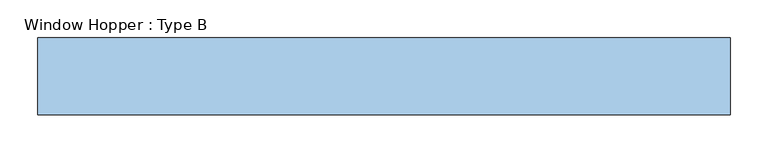
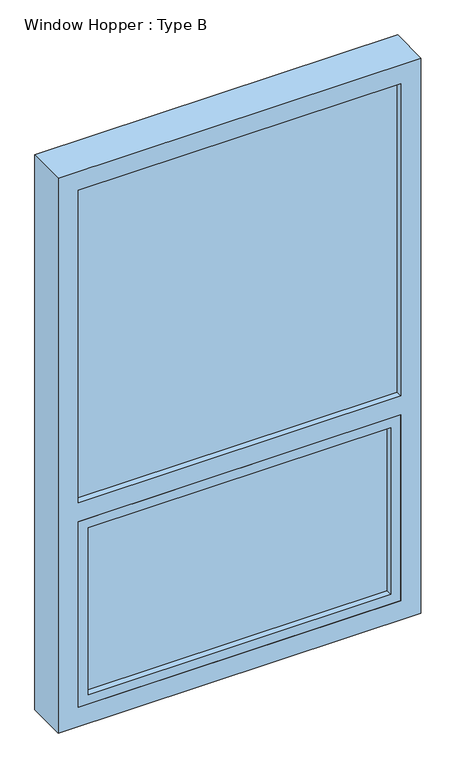
"""IFC4 building model written with IfcOpenShell, lengths in millimetres: window geometry, Window Hopper : Type B."""

from ifc_helpers import new_model, si_unit, frame, origin, place, context, project, spatial, polyline, outline, extrude, source, transform, mapped, element, save


def window_hopper_type_b_69365cd8(model_context):
    return source(origin(), model_context, "Body", "SweptSolid", [
        extrude(outline(polyline([(406.4, -15.875), (406.4, -34.925), (-406.4, -34.925), (-406.4, -15.875), (406.4, -15.875)])), frame((0.0, 0.0, 1352.55), z_axis=(0.0, 0.0, 1.0), x_axis=(1.0, 0.0, 0.0)), (0.0, 0.0, 1.0), 831.85),
        extrude(outline(polyline([(2235.2, -457.2), (755.65, -457.2), (755.65, 457.2), (2235.2, 457.2), (2235.2, -457.2)]), holes=[polyline([(2184.4, 406.4), (1352.55, 406.4), (1352.55, -406.4), (2184.4, -406.4), (2184.4, 406.4)]), polyline([(806.45, 406.4), (806.45, -406.4), (1301.75, -406.4), (1301.75, 406.4), (806.45, 406.4)])]), frame((0.0, -50.8, 0.0), z_axis=(0.0, 1.0, 0.0), x_axis=(0.0, 0.0, 1.0)), (0.0, 0.0, 1.0), 101.6),
        extrude(outline(polyline([(-381.0, -34.925), (-381.0, -15.875), (381.0, -15.875), (381.0, -34.925), (-381.0, -34.925)])), frame((0.0, 0.0, 831.85), z_axis=(0.0, 0.0, 1.0), x_axis=(1.0, 0.0, 0.0)), (0.0, 0.0, 1.0), 444.5),
        extrude(outline(polyline([(1301.75, 406.4), (1301.75, -406.4), (806.45, -406.4), (806.45, 406.4), (1301.75, 406.4)]), holes=[polyline([(831.85, 381.0), (831.85, -381.0), (1276.35, -381.0), (1276.35, 381.0), (831.85, 381.0)])]), frame((0.0, -50.8, 0.0), z_axis=(0.0, 1.0, 0.0), x_axis=(0.0, 0.0, 1.0)), (0.0, 0.0, 1.0), 50.8),
    ])


if __name__ == "__main__":
    model = new_model("IFC4")
    model_context = context("Model", 3, world=origin())
    ifc_project = project(units=[si_unit("LENGTHUNIT", "METRE", prefix="MILLI")], contexts=[model_context])
    site = spatial("IfcSite", under=ifc_project)
    building = spatial("IfcBuilding", under=site)
    placement = place(None, origin())
    window_hopper_type_b_shape = window_hopper_type_b_69365cd8(model_context)
    element("IfcWindow", 1, ObjectType="Window Hopper : Type B", at=placement, inside=building, context=model_context, shape_type="MappedRepresentation", body=[
        mapped(window_hopper_type_b_shape, transform((0.0, 0.0, 0.0), x_axis=(1.0, 0.0, 0.0), y_axis=(0.0, 1.0, 0.0), z_axis=(0.0, 0.0, 1.0))),
    ])
    save(model, "model.ifc")
